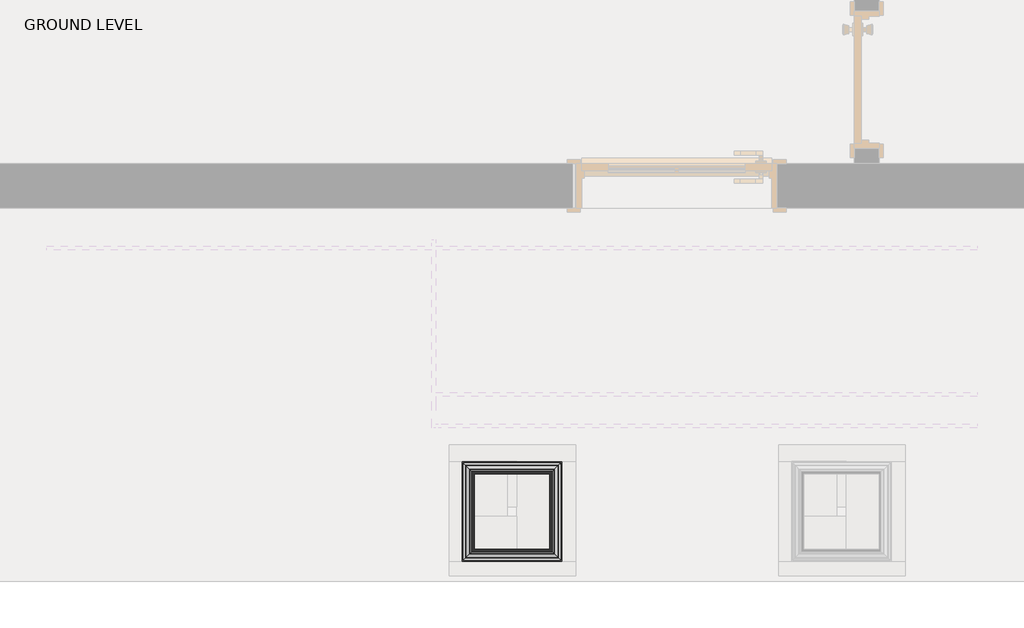
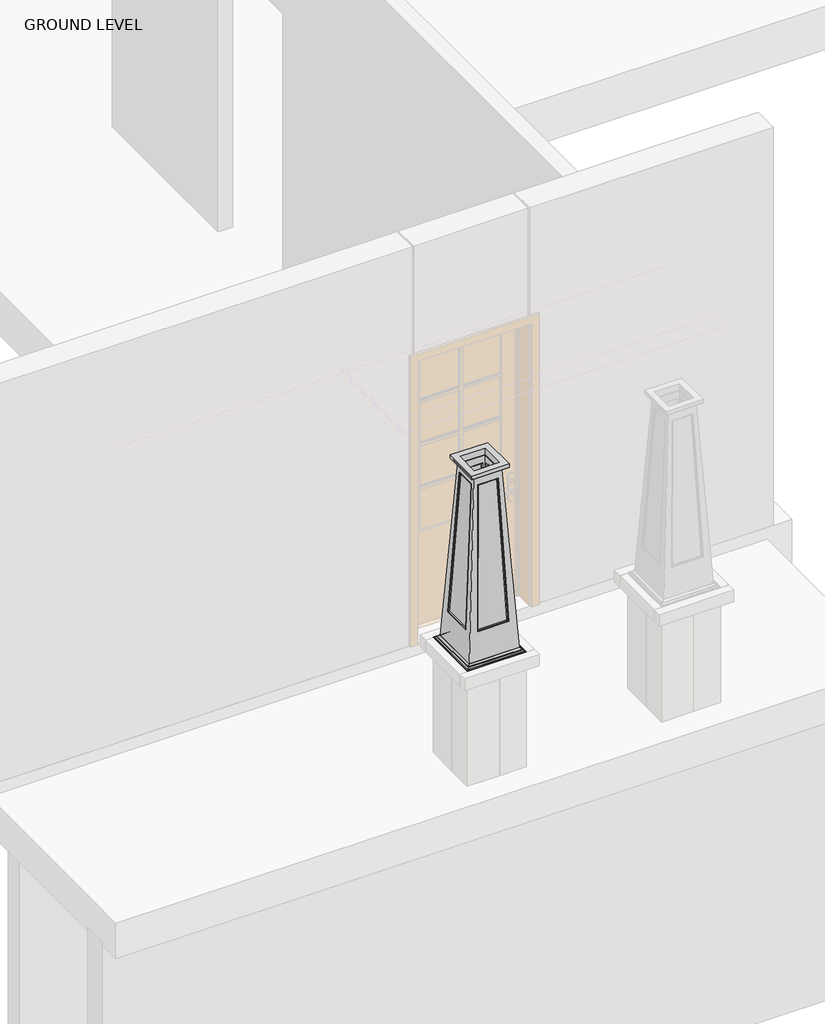
# One storey, part 5 of 7: 1 column.
"""IFC4 building model written with IfcOpenShell, lengths in millimetres."""

from ifc_helpers import new_model, si_unit, frame, origin, place, context, project, spatial, polyline, ellipse_curve, faceted_brep, element, save
from ifc_brep_helpers import plane_surface, cylinder_surface, revolved_surface, advanced_brep

model = new_model("IFC4")

# Units and contexts
model_context = context("Model", 3, world=origin())
ifc_project = project(units=[si_unit("LENGTHUNIT", "METRE", prefix="MILLI")], contexts=[model_context])

# Site, building, storey
site = spatial("IfcSite", under=ifc_project)
building = spatial("IfcBuilding", under=site)
storey = spatial("IfcBuildingStorey", under=building, Name="GROUND LEVEL", Elevation=0.0)

# Column
placement = place(None, origin())
element("IfcColumn", 1, at=placement, inside=storey, context=model_context, shape_type="SolidModel", body=[
    advanced_brep(
    [(3174.4272599, -6584.8408634, 994.2259064), (2693.4147599, -6584.8408634, 994.2259064), (2693.4147599, -6584.8408634, 990.6), (2956.9397599, -6584.8408634, 990.6), (3174.4272599, -6584.8408634, 990.6), (2698.2523894, -6580.0032339, 999.3180729), (2698.2523894, -6580.0032339, 994.2259064), (3169.5896304, -6580.0032339, 994.2259064), (3169.5896304, -6580.0032339, 999.3180729), (3158.8958993, -6569.3095028, 1007.7203226), (2708.9461205, -6569.3095028, 1007.7203226), (2714.0383518, -6564.2172714, 1010.55953), (2714.0383518, -6564.2172714, 1007.7203226), (3153.803668, -6564.2172714, 1007.7203226), (3153.803668, -6564.2172714, 1010.55953), (3140.8184231, -6551.2320265, 1020.960137), (2727.0235968, -6551.2320265, 1020.960137), (3174.4272599, -6103.8283634, 994.2259064), (3174.4272599, -6103.8283634, 990.6), (3169.5896304, -6108.6659928, 994.2259064), (3169.5896304, -6108.6659928, 999.3180729), (3158.8958993, -6119.359724, 1007.7203226), (3153.803668, -6124.4519553, 1007.7203226), (3153.803668, -6124.4519553, 1010.55953), (3140.8184231, -6137.4372002, 1020.960137), (2693.4147599, -6103.8283634, 994.2259064), (2956.9397599, -6103.8283634, 990.6), (2910.9022599, -6103.8283634, 990.6), (2693.4147599, -6103.8283634, 990.6), (2698.2523894, -6108.6659928, 994.2259064), (2698.2523894, -6108.6659928, 999.3180729), (2708.9461205, -6119.359724, 1007.7203226), (2714.0383518, -6124.4519553, 1007.7203226), (2714.0383518, -6124.4519553, 1010.55953), (2727.0235968, -6137.4372002, 1020.960137), (2693.4147599, -6367.3533634, 990.6), (2743.4210099, -6534.8346134, 1020.960137), (3124.4210099, -6534.8346134, 1020.960137), (3124.4210099, -6534.8346134, 990.6), (2956.9397599, -6534.8346134, 990.6), (2743.4210099, -6534.8346134, 990.6), (3124.4210099, -6153.8346134, 1020.960137), (3124.4210099, -6153.8346134, 990.6), (2743.4210099, -6153.8346134, 1020.960137), (2743.4210099, -6153.8346134, 990.6), (2910.9022599, -6153.8346134, 990.6), (2956.9397599, -6153.8346134, 990.6), (2743.4210099, -6367.3533634, 990.6)],
    [
        (0, 1),
        (1, 2),
        (2, 3),
        (3, 4),
        (4, 0),
        (5, 6),
        (6, 7),
        (7, 8),
        (8, 5),
        (8, 9, ellipse_curve(frame((3170.438947, -6580.8525504, 1011.4052173), z_axis=(0.7071067811865475, 0.7071067811865475, 0.0), x_axis=(0.7071067811865476, -0.7071067811865474, 0.0)), 17.1359504, 12.1169467)),
        (9, 10),
        (10, 5, ellipse_curve(frame((2697.4030729, -6580.8525504, 1011.4052173), z_axis=(-0.7071067811865475, 0.7071067811865475, 0.0), x_axis=(0.7071067811865476, 0.7071067811865474, 0.0)), 17.1359504, 12.1169467)),
        (11, 12),
        (12, 13),
        (13, 14),
        (14, 11),
        (14, 15, ellipse_curve(frame((3135.6466395, -6546.060243, 1001.196725), z_axis=(-0.7071067811865475, -0.7071067811865475, 0.0), x_axis=(-0.7071067811865476, 0.7071067811865474, 0.0)), 28.8908221, 20.4288962)),
        (15, 16),
        (16, 11, ellipse_curve(frame((2732.1953803, -6546.060243, 1001.196725), z_axis=(0.7071067811865475, -0.7071067811865475, 0.0), x_axis=(-0.7071067811865476, -0.7071067811865474, 0.0)), 28.8908221, 20.4288962)),
        (17, 0),
        (4, 18),
        (18, 17),
        (7, 19),
        (19, 20),
        (20, 8),
        (20, 21, ellipse_curve(frame((3170.438947, -6107.8166763, 1011.4052173), z_axis=(-0.7071067811865475, 0.7071067811865475, 0.0), x_axis=(0.7071067811865474, 0.7071067811865476, 0.0)), 17.1359504, 12.1169467)),
        (21, 9),
        (13, 22),
        (22, 23),
        (23, 14),
        (23, 24, ellipse_curve(frame((3135.6466395, -6142.6089838, 1001.196725), z_axis=(0.7071067811865475, -0.7071067811865475, 0.0), x_axis=(-0.7071067811865474, -0.7071067811865476, 0.0)), 28.8908221, 20.4288962)),
        (24, 15),
        (25, 17),
        (18, 26),
        (26, 27),
        (27, 28),
        (28, 25),
        (19, 29),
        (29, 30),
        (30, 20),
        (30, 31, ellipse_curve(frame((2697.4030729, -6107.8166763, 1011.4052173), z_axis=(-0.7071067811865475, -0.7071067811865475, 0.0), x_axis=(-0.7071067811865476, 0.7071067811865474, 0.0)), 17.1359504, 12.1169467)),
        (31, 21),
        (22, 32),
        (32, 33),
        (33, 23),
        (33, 34, ellipse_curve(frame((2732.1953803, -6142.6089838, 1001.196725), z_axis=(0.7071067811865475, 0.7071067811865475, 0.0), x_axis=(0.7071067811865476, -0.7071067811865474, 0.0)), 28.8908221, 20.4288962)),
        (34, 24),
        (1, 25),
        (28, 35),
        (35, 2),
        (6, 29),
        (5, 30),
        (10, 31),
        (12, 32),
        (11, 33),
        (16, 34),
        (36, 37),
        (37, 38),
        (38, 39),
        (39, 40),
        (40, 36),
        (37, 41),
        (41, 42),
        (42, 38),
        (41, 43),
        (43, 44),
        (44, 45),
        (45, 46),
        (46, 42),
        (36, 43),
        (40, 47),
        (47, 44),
        (3, 39),
        (46, 26),
        (35, 47),
        (27, 45),
    ],
    [
        plane_surface(frame((2693.4147599, -6584.8408634, 965.2), z_axis=(0.0, -1.0, 0.0), x_axis=(1.0, 0.0, 0.0))),
        plane_surface(frame((2698.2523894, -6580.0032339, 994.2259064), z_axis=(0.0, -1.0, 0.0), x_axis=(1.0, 0.0, 0.0))),
        revolved_surface(polyline([(3182.5558937299165, -6568.7356037, 1011.4052173), (2685.2861261700837, -6568.7356037, 1011.4052173)]), (2727.0235968, -6580.8525504, 1011.4052173), (1.0, 0.0, 0.0)),
        plane_surface(frame((2714.0383518, -6564.2172714, 1007.7203226), z_axis=(0.0, -1.0, 0.0), x_axis=(1.0, 0.0, 0.0))),
        cylinder_surface(frame((2727.0235968, -6546.060243, 1001.196725), z_axis=(-1.0, 0.0, 0.0), x_axis=(0.0, 1.0, 0.0)), 20.4288962),
        plane_surface(frame((3174.4272599, -6584.8408634, 965.2), z_axis=(1.0, 0.0, 0.0), x_axis=(0.0, 1.0, 0.0))),
        plane_surface(frame((3169.5896304, -6580.0032339, 994.2259064), z_axis=(1.0, 0.0, 0.0), x_axis=(0.0, 1.0, 0.0))),
        revolved_surface(polyline([(3158.3220003, -6095.699729570084, 1011.4052173), (3158.3220003, -6592.969497129916, 1011.4052173)]), (3170.438947, -6551.2320265, 1011.4052173), (0.0, 1.0, 0.0)),
        plane_surface(frame((3153.803668, -6564.2172714, 1007.7203226), z_axis=(1.0, 0.0, 0.0), x_axis=(0.0, 1.0, 0.0))),
        cylinder_surface(frame((3135.6466395, -6551.2320265, 1001.196725), z_axis=(0.0, -1.0, 0.0), x_axis=(-1.0, 0.0, 0.0)), 20.4288962),
        plane_surface(frame((3174.4272599, -6103.8283634, 965.2), z_axis=(0.0, 1.0, 0.0), x_axis=(-1.0, 0.0, 0.0))),
        plane_surface(frame((3169.5896304, -6108.6659928, 994.2259064), z_axis=(0.0, 1.0, 0.0), x_axis=(-1.0, 0.0, 0.0))),
        revolved_surface(polyline([(2685.2861261700837, -6119.933623, 1011.4052173), (3182.5558937299165, -6119.933623, 1011.4052173)]), (3140.8184231, -6107.8166763, 1011.4052173), (-1.0, 0.0, 0.0)),
        plane_surface(frame((3153.803668, -6124.4519553, 1007.7203226), z_axis=(0.0, 1.0, 0.0), x_axis=(-1.0, 0.0, 0.0))),
        cylinder_surface(frame((3140.8184231, -6142.6089838, 1001.196725), z_axis=(1.0, 0.0, 0.0), x_axis=(0.0, -1.0, 0.0)), 20.4288962),
        plane_surface(frame((2693.4147599, -6103.8283634, 965.2), z_axis=(-1.0, 0.0, 0.0), x_axis=(0.0, -1.0, 0.0))),
        plane_surface(frame((2693.4147599, -6103.8283634, 994.2259064), z_axis=(0.0, 0.0, 1.0), x_axis=(0.0, -1.0, 0.0))),
        plane_surface(frame((2698.2523894, -6108.6659928, 994.2259064), z_axis=(-1.0, 0.0, 0.0), x_axis=(0.0, -1.0, 0.0))),
        revolved_surface(polyline([(2709.5200196, -6592.969497129916, 1011.4052173), (2709.5200196, -6095.699729570084, 1011.4052173)]), (2697.4030729, -6137.4372002, 1011.4052173), (0.0, -1.0, 0.0)),
        plane_surface(frame((2708.9461205, -6119.359724, 1007.7203226), z_axis=(0.0, 0.0, 1.0), x_axis=(0.0, -1.0, 0.0))),
        plane_surface(frame((2714.0383518, -6124.4519553, 1007.7203226), z_axis=(-1.0, 0.0, 0.0), x_axis=(0.0, -1.0, 0.0))),
        cylinder_surface(frame((2732.1953803, -6137.4372002, 1001.196725), z_axis=(0.0, 1.0, 0.0), x_axis=(1.0, 0.0, 0.0)), 20.4288962),
        plane_surface(frame((2743.4210099, -6534.8346134, 1020.960137), z_axis=(0.0, 1.0, 0.0), x_axis=(1.0, 0.0, 0.0))),
        plane_surface(frame((3124.4210099, -6534.8346134, 1020.960137), z_axis=(-1.0, 0.0, 0.0), x_axis=(0.0, 1.0, 0.0))),
        plane_surface(frame((3124.4210099, -6153.8346134, 1020.960137), z_axis=(0.0, -1.0, 0.0), x_axis=(-1.0, 0.0, 0.0))),
        plane_surface(frame((2727.0235968, -6137.4372002, 1020.960137), z_axis=(0.0, 0.0, 1.0), x_axis=(0.0, -1.0, 0.0))),
        plane_surface(frame((2743.4210099, -6153.8346134, 1020.960137), z_axis=(1.0, 0.0, 0.0), x_axis=(0.0, -1.0, 0.0))),
        plane_surface(frame((2956.9397599, -6476.0971134, 990.6), z_axis=(0.0, 0.0, -1.0), x_axis=(1.0, 0.0, 0.0))),
        plane_surface(frame((2802.1585099, -6367.3533634, 990.6), z_axis=(0.0, 0.0, -1.0), x_axis=(0.0, -1.0, 0.0))),
        plane_surface(frame((2910.9022599, -6211.3440959, 990.6), z_axis=(0.0, 0.0, -1.0), x_axis=(-1.0, 0.0, 0.0))),
        plane_surface(frame((3065.3246216, -6320.9569731, 990.6), z_axis=(0.0, 0.0, -1.0), x_axis=(0.0033003120592097804, 0.9999945539553262, 0.0))),
    ],
    [
        (0, [[1, 2, 3, 4, 5]]),
        (1, [[6, 7, 8, 9]]),
        (2, [[-9, 10, 11, 12]]),
        (3, [[13, 14, 15, 16]]),
        (4, [[-16, 17, 18, 19]]),
        (5, [[20, -5, 21, 22]]),
        (6, [[-8, 23, 24, 25]]),
        (7, [[-10, -25, 26, 27]]),
        (8, [[-15, 28, 29, 30]]),
        (9, [[-17, -30, 31, 32]]),
        (10, [[33, -22, 34, 35, 36, 37]]),
        (11, [[-24, 38, 39, 40]]),
        (12, [[-26, -40, 41, 42]]),
        (13, [[-29, 43, 44, 45]]),
        (14, [[-31, -45, 46, 47]]),
        (15, [[48, -37, 49, 50, -2]]),
        (16, [[-1, -20, -33, -48], [-7, 51, -38, -23]]),
        (17, [[-6, 52, -39, -51]]),
        (18, [[-12, 53, -41, -52]]),
        (19, [[-11, -27, -42, -53], [-14, 54, -43, -28]]),
        (20, [[-13, 55, -44, -54]]),
        (21, [[-19, 56, -46, -55]]),
        (22, [[57, 58, 59, 60, 61]]),
        (23, [[62, 63, 64, -58]]),
        (24, [[65, 66, 67, 68, 69, -63]]),
        (25, [[-18, -32, -47, -56], [-57, 70, -65, -62]]),
        (26, [[-70, -61, 71, 72, -66]]),
        (27, [[-4, 73, -59, -64, -69, 74, -34, -21]]),
        (28, [[-3, -50, 75, -71, -60, -73]]),
        (29, [[-36, 76, -67, -72, -75, -49]]),
        (30, [[-35, -74, -68, -76]]),
    ],
),
    advanced_brep(
    [(2802.9383518, -6475.3172714, 2545.44047), (2815.9235968, -6462.3320265, 2535.039863), (3051.9184231, -6462.3320265, 2535.039863), (3064.903668, -6475.3172714, 2545.44047), (2802.9383518, -6475.3172714, 2548.2796774), (3064.903668, -6475.3172714, 2548.2796774), (2787.1523894, -6491.1032339, 2556.6819271), (2797.8461205, -6480.4095028, 2548.2796774), (3069.9958993, -6480.4095028, 2548.2796774), (3080.6896304, -6491.1032339, 2556.6819271), (2787.1523894, -6491.1032339, 2561.7740936), (3080.6896304, -6491.1032339, 2561.7740936), (2782.3147599, -6495.9408634, 2590.8), (2782.3147599, -6495.9408634, 2561.7740936), (3085.5272599, -6495.9408634, 2561.7740936), (3085.5272599, -6495.9408634, 2590.8), (3051.9184231, -6226.3372002, 2535.039863), (3064.903668, -6213.3519553, 2545.44047), (3064.903668, -6213.3519553, 2548.2796774), (3069.9958993, -6208.259724, 2548.2796774), (3080.6896304, -6197.5659928, 2556.6819271), (3080.6896304, -6197.5659928, 2561.7740936), (3085.5272599, -6192.7283634, 2561.7740936), (3085.5272599, -6192.7283634, 2590.8), (2815.9235968, -6226.3372002, 2535.039863), (2802.9383518, -6213.3519553, 2545.44047), (2802.9383518, -6213.3519553, 2548.2796774), (2797.8461205, -6208.259724, 2548.2796774), (2787.1523894, -6197.5659928, 2556.6819271), (2787.1523894, -6197.5659928, 2561.7740936), (2782.3147599, -6192.7283634, 2561.7740936), (2782.3147599, -6192.7283634, 2590.8), (2832.0663724, -6446.1892509, 2590.8), (2832.0663724, -6242.4799758, 2590.8), (3035.7756475, -6242.4799758, 2590.8), (3035.7756475, -6446.1892509, 2590.8), (2832.0663724, -6446.1892509, 2535.039863), (3035.7756475, -6446.1892509, 2535.039863), (3035.7756475, -6242.4799758, 2535.039863), (2832.0663724, -6242.4799758, 2535.039863)],
    [
        (0, 1, ellipse_curve(frame((2824.2703803, -6453.985243, 2558.767289), z_axis=(0.7071067811865475, -0.7071067811865475, 0.0), x_axis=(-0.7071067811865476, -0.7071067811865474, 0.0)), 35.5713239, 25.1527244)),
        (1, 2),
        (2, 3, ellipse_curve(frame((3043.5716395, -6453.985243, 2558.767289), z_axis=(-0.7071067811865475, -0.7071067811865475, 0.0), x_axis=(-0.7071067811865476, 0.7071067811865474, 0.0)), 35.5713239, 25.1527244)),
        (3, 0),
        (4, 0),
        (3, 5),
        (5, 4),
        (6, 7, ellipse_curve(frame((2786.3030729, -6491.9525504, 2544.5947827), z_axis=(-0.7071067811865475, 0.7071067811865475, 0.0), x_axis=(0.7071067811865476, 0.7071067811865474, 0.0)), 17.1359504, 12.1169467)),
        (7, 8),
        (8, 9, ellipse_curve(frame((3081.538947, -6491.9525504, 2544.5947827), z_axis=(0.7071067811865475, 0.7071067811865475, 0.0), x_axis=(0.7071067811865476, -0.7071067811865474, 0.0)), 17.1359504, 12.1169467)),
        (9, 6),
        (10, 6),
        (9, 11),
        (11, 10),
        (12, 13),
        (13, 14),
        (14, 15),
        (15, 12),
        (2, 16),
        (16, 17, ellipse_curve(frame((3043.5716395, -6234.6839838, 2558.767289), z_axis=(0.7071067811865475, -0.7071067811865475, 0.0), x_axis=(-0.7071067811865474, -0.7071067811865476, 0.0)), 35.5713239, 25.1527244)),
        (17, 3),
        (17, 18),
        (18, 5),
        (8, 19),
        (19, 20, ellipse_curve(frame((3081.538947, -6196.7166763, 2544.5947827), z_axis=(-0.7071067811865475, 0.7071067811865475, 0.0), x_axis=(0.7071067811865474, 0.7071067811865476, 0.0)), 17.1359504, 12.1169467)),
        (20, 9),
        (20, 21),
        (21, 11),
        (14, 22),
        (22, 23),
        (23, 15),
        (16, 24),
        (24, 25, ellipse_curve(frame((2824.2703803, -6234.6839838, 2558.767289), z_axis=(0.7071067811865475, 0.7071067811865475, 0.0), x_axis=(0.7071067811865476, -0.7071067811865474, 0.0)), 35.5713239, 25.1527244)),
        (25, 17),
        (25, 26),
        (26, 18),
        (19, 27),
        (27, 28, ellipse_curve(frame((2786.3030729, -6196.7166763, 2544.5947827), z_axis=(-0.7071067811865475, -0.7071067811865475, 0.0), x_axis=(-0.7071067811865476, 0.7071067811865474, 0.0)), 17.1359504, 12.1169467)),
        (28, 20),
        (28, 29),
        (29, 21),
        (22, 30),
        (30, 31),
        (31, 23),
        (24, 1),
        (0, 25),
        (4, 26),
        (7, 27),
        (6, 28),
        (10, 29),
        (13, 30),
        (12, 31),
        (32, 33),
        (33, 34),
        (34, 35),
        (35, 32),
        (36, 32),
        (35, 37),
        (37, 36),
        (34, 38),
        (38, 37),
        (33, 39),
        (39, 38),
        (36, 39),
    ],
    [
        cylinder_surface(frame((2815.9235968, -6453.985243, 2558.767289), z_axis=(-1.0, 0.0, 0.0), x_axis=(0.0, 1.0, 0.0)), 25.1527244),
        plane_surface(frame((2802.9383518, -6475.3172714, 2545.44047), z_axis=(0.0, -1.0, 0.0), x_axis=(1.0, 0.0, 0.0))),
        revolved_surface(polyline([(3093.6558937299164, -6479.8356037, 2544.5947827), (2774.1861261700838, -6479.8356037, 2544.5947827)]), (2815.9235968, -6491.9525504, 2544.5947827), (1.0, 0.0, 0.0)),
        plane_surface(frame((2787.1523894, -6491.1032339, 2556.6819271), z_axis=(0.0, -1.0, 0.0), x_axis=(1.0, 0.0, 0.0))),
        plane_surface(frame((2782.3147599, -6495.9408634, 2561.7740936), z_axis=(0.0, -1.0, 0.0), x_axis=(1.0, 0.0, 0.0))),
        cylinder_surface(frame((3043.5716395, -6462.3320265, 2558.767289), z_axis=(0.0, -1.0, 0.0), x_axis=(-1.0, 0.0, 0.0)), 25.1527244),
        plane_surface(frame((3064.903668, -6475.3172714, 2545.44047), z_axis=(1.0, 0.0, 0.0), x_axis=(0.0, 1.0, 0.0))),
        revolved_surface(polyline([(3069.4220003, -6184.599729570084, 2544.5947827), (3069.4220003, -6504.069497129916, 2544.5947827)]), (3081.538947, -6462.3320265, 2544.5947827), (0.0, 1.0, 0.0)),
        plane_surface(frame((3080.6896304, -6491.1032339, 2556.6819271), z_axis=(1.0, 0.0, 0.0), x_axis=(0.0, 1.0, 0.0))),
        plane_surface(frame((3085.5272599, -6495.9408634, 2561.7740936), z_axis=(1.0, 0.0, 0.0), x_axis=(0.0, 1.0, 0.0))),
        cylinder_surface(frame((3051.9184231, -6234.6839838, 2558.767289), z_axis=(1.0, 0.0, 0.0), x_axis=(0.0, -1.0, 0.0)), 25.1527244),
        plane_surface(frame((3064.903668, -6213.3519553, 2545.44047), z_axis=(0.0, 1.0, 0.0), x_axis=(-1.0, 0.0, 0.0))),
        revolved_surface(polyline([(2774.1861261700838, -6208.8336229999995, 2544.5947827), (3093.6558937299164, -6208.8336229999995, 2544.5947827)]), (3051.9184231, -6196.7166763, 2544.5947827), (-1.0, 0.0, 0.0)),
        plane_surface(frame((3080.6896304, -6197.5659928, 2556.6819271), z_axis=(0.0, 1.0, 0.0), x_axis=(-1.0, 0.0, 0.0))),
        plane_surface(frame((3085.5272599, -6192.7283634, 2561.7740936), z_axis=(0.0, 1.0, 0.0), x_axis=(-1.0, 0.0, 0.0))),
        cylinder_surface(frame((2824.2703803, -6226.3372002, 2558.767289), z_axis=(0.0, 1.0, 0.0), x_axis=(1.0, 0.0, 0.0)), 25.1527244),
        plane_surface(frame((2802.9383518, -6213.3519553, 2545.44047), z_axis=(-1.0, 0.0, 0.0), x_axis=(0.0, -1.0, 0.0))),
        plane_surface(frame((2802.9383518, -6213.3519553, 2548.2796774), z_axis=(0.0, 0.0, -1.0), x_axis=(0.0, -1.0, 0.0))),
        revolved_surface(polyline([(2798.4200196, -6504.069497129916, 2544.5947827), (2798.4200196, -6184.599729570084, 2544.5947827)]), (2786.3030729, -6226.3372002, 2544.5947827), (0.0, -1.0, 0.0)),
        plane_surface(frame((2787.1523894, -6197.5659928, 2556.6819271), z_axis=(-1.0, 0.0, 0.0), x_axis=(0.0, -1.0, 0.0))),
        plane_surface(frame((2787.1523894, -6197.5659928, 2561.7740936), z_axis=(0.0, 0.0, -1.0), x_axis=(0.0, -1.0, 0.0))),
        plane_surface(frame((2782.3147599, -6192.7283634, 2561.7740936), z_axis=(-1.0, 0.0, 0.0), x_axis=(0.0, -1.0, 0.0))),
        plane_surface(frame((2782.3147599, -6192.7283634, 2590.8), z_axis=(0.0, 0.0, 1.0), x_axis=(0.0, -1.0, 0.0))),
        plane_surface(frame((2832.0663724, -6446.1892509, 2590.8), z_axis=(0.0, 1.0, 0.0), x_axis=(1.0, 0.0, 0.0))),
        plane_surface(frame((3035.7756475, -6446.1892509, 2590.8), z_axis=(-1.0, 0.0, 0.0), x_axis=(0.0, 1.0, 0.0))),
        plane_surface(frame((3035.7756475, -6242.4799758, 2590.8), z_axis=(0.0, -1.0, 0.0), x_axis=(-1.0, 0.0, 0.0))),
        plane_surface(frame((2832.0663724, -6242.4799758, 2590.8), z_axis=(1.0, 0.0, 0.0), x_axis=(0.0, -1.0, 0.0))),
        plane_surface(frame((2832.0663724, -6242.4799758, 2535.039863), z_axis=(0.0, 0.0, -1.0), x_axis=(0.0, -1.0, 0.0))),
    ],
    [
        (0, [[1, 2, 3, 4]]),
        (1, [[5, -4, 6, 7]]),
        (2, [[8, 9, 10, 11]]),
        (3, [[12, -11, 13, 14]]),
        (4, [[15, 16, 17, 18]]),
        (5, [[-3, 19, 20, 21]]),
        (6, [[-6, -21, 22, 23]]),
        (7, [[-10, 24, 25, 26]]),
        (8, [[-13, -26, 27, 28]]),
        (9, [[-17, 29, 30, 31]]),
        (10, [[-20, 32, 33, 34]]),
        (11, [[-22, -34, 35, 36]]),
        (12, [[-25, 37, 38, 39]]),
        (13, [[-27, -39, 40, 41]]),
        (14, [[-30, 42, 43, 44]]),
        (15, [[-33, 45, -1, 46]]),
        (16, [[-35, -46, -5, 47]]),
        (17, [[48, -37, -24, -9], [-23, -36, -47, -7]]),
        (18, [[-38, -48, -8, 49]]),
        (19, [[-40, -49, -12, 50]]),
        (20, [[51, -42, -29, -16], [-28, -41, -50, -14]]),
        (21, [[-43, -51, -15, 52]]),
        (22, [[-31, -44, -52, -18], [53, 54, 55, 56]]),
        (23, [[57, -56, 58, 59]]),
        (24, [[-58, -55, 60, 61]]),
        (25, [[-60, -54, 62, 63]]),
        (26, [[-62, -53, -57, 64]]),
        (27, [[-45, -32, -19, -2], [-61, -63, -64, -59]]),
    ],
),
    faceted_brep([(3048.2210099, -6230.0346134, 2535.2375), (2819.6210099, -6230.0346134, 2535.2375), (2819.6210099, -6458.6346134, 2535.2375), (3048.2210099, -6458.6346134, 2535.2375), (2837.0835099, -6247.4971134, 2535.2375), (3030.7585099, -6247.4971134, 2535.2375), (3030.7585099, -6441.1721134, 2535.2375), (2837.0835099, -6441.1721134, 2535.2375), (3137.1210099, -6141.1346134, 1020.7625), (3137.1210099, -6547.5346134, 1020.7625), (2730.7210099, -6547.5346134, 1020.7625), (2730.7210099, -6141.1346134, 1020.7625), (3124.4210099, -6153.8346134, 1020.7625), (2743.4210099, -6153.8346134, 1020.7625), (2743.4210099, -6534.8346134, 1020.7625), (3124.4210099, -6534.8346134, 1020.7625), (3060.9210099, -6155.3921605, 1263.65), (3016.4710099, -6226.2139635, 2470.15), (2851.3710099, -6226.2139635, 2470.15), (2806.9210099, -6155.3921605, 1263.65), (2744.9785571, -6217.3346134, 1263.65), (2815.80036, -6261.7846134, 2470.15), (2815.80036, -6426.8846134, 2470.15), (2744.9785571, -6471.3346134, 1263.65), (3016.4710099, -6462.4552633, 2470.15), (3060.9210099, -6533.2770662, 1263.65), (2806.9210099, -6533.2770662, 1263.65), (2851.3710099, -6462.4552633, 2470.15), (3052.0416598, -6261.7846134, 2470.15), (3122.8634627, -6217.3346134, 1263.65), (3122.8634627, -6471.3346134, 1263.65), (3052.0416598, -6426.8846134, 2470.15), (3016.4710099, -6243.4717858, 2470.15), (3060.9210099, -6168.8559577, 1263.65), (2806.9210099, -6168.8559577, 1263.65), (2851.3710099, -6243.4717858, 2470.15), (2833.0581824, -6261.7846134, 2470.15), (2758.4423543, -6217.3346134, 1263.65), (2758.4423543, -6471.3346134, 1263.65), (2833.0581824, -6426.8846134, 2470.15), (3060.9210099, -6519.813269, 1263.65), (3016.4710099, -6445.1974409, 2470.15), (2851.3710099, -6445.1974409, 2470.15), (2806.9210099, -6519.813269, 1263.65), (3109.3996656, -6217.3346134, 1263.65), (3034.7838375, -6261.7846134, 2470.15), (3034.7838375, -6426.8846134, 2470.15), (3109.3996656, -6471.3346134, 1263.65)], [[[0, 1, 2, 3], [4, 5, 6, 7]], [[8, 9, 10, 11], [12, 13, 14, 15]], [[1, 0, 8, 11], [16, 17, 18, 19]], [[2, 1, 11, 10], [20, 21, 22, 23]], [[3, 2, 10, 9], [24, 25, 26, 27]], [[0, 3, 9, 8], [28, 29, 30, 31]], [[12, 5, 4, 13], [32, 33, 34, 35]], [[13, 4, 7, 14], [36, 37, 38, 39]], [[14, 7, 6, 15], [40, 41, 42, 43]], [[5, 12, 15, 6], [44, 45, 46, 47]], [[16, 33, 32, 17]], [[40, 25, 24, 41]], [[17, 32, 35, 18]], [[41, 24, 27, 42]], [[18, 35, 34, 19]], [[42, 27, 26, 43]], [[33, 16, 19, 34]], [[25, 40, 43, 26]], [[20, 37, 36, 21]], [[44, 29, 28, 45]], [[21, 36, 39, 22]], [[45, 28, 31, 46]], [[22, 39, 38, 23]], [[46, 31, 30, 47]], [[37, 20, 23, 38]], [[29, 44, 47, 30]]]),
    advanced_brep(
    [(3016.4710099, -6462.4552633, 2470.15), (3013.2601327, -6457.2536478, 2466.5077896), (3057.4651021, -6527.6850455, 1266.6586217), (3060.9210099, -6533.2770662, 1263.65), (3017.1316826, -6450.7585757, 2470.15), (3061.6321003, -6521.6607088, 1262.2815194), (3007.3771745, -6450.7585757, 2460.0127176), (3051.1331995, -6520.4746743, 1272.3491813), (2810.3769178, -6527.6850455, 1266.6586217), (2806.9210099, -6533.2770662, 1263.65), (2806.2099195, -6521.6607088, 1262.2815194), (2816.7088203, -6520.4746743, 1272.3491813), (2854.5818871, -6457.2536478, 2466.5077896), (2851.3710099, -6462.4552633, 2470.15), (2850.7103372, -6450.7585757, 2470.15), (2860.4648453, -6450.7585757, 2460.0127176)],
    [
        (0, 1, ellipse_curve(frame((3018.8442026, -6457.0735692, 2472.300412), z_axis=(0.7199840086345254, -0.04066739299447458, -0.6927980877987413), x_axis=(0.6939906536190235, 0.04219058639505976, 0.718746775372997)), 8.0493743, 5.7954208)),
        (1, 2),
        (2, 3, ellipse_curve(frame((3063.4753073, -6528.1839247, 1260.884713), z_axis=(0.6939906536190235, 0.04219058639505978, 0.718746775372997), x_axis=(-0.7199840086345254, 0.04066739299447456, 0.6927980877987413)), 8.3508629, 5.7954208)),
        (3, 0),
        (4, 0),
        (3, 5),
        (5, 4),
        (6, 4),
        (5, 7),
        (7, 6),
        (1, 6, ellipse_curve(frame((3013.6269987, -6450.7585757, 2466.5077896), z_axis=(0.7199840086345254, -0.04066739299447458, -0.6927980877987413), x_axis=(0.6939906536190235, 0.04219058639505976, 0.718746775372997)), 9.0211338, 6.495072)),
        (7, 2, ellipse_curve(frame((3057.8599646, -6521.2345801, 1265.8987159), z_axis=(0.6939906536190235, 0.04219058639505978, 0.718746775372997), x_axis=(-0.7199840086345254, 0.04066739299447456, 0.6927980877987413)), 9.3590195, 6.495072)),
        (2, 8),
        (8, 9, ellipse_curve(frame((2804.3667125, -6528.1839247, 1260.884713), z_axis=(0.693990653619024, -0.04219058639505973, -0.7187467753729965), x_axis=(0.719984008634525, 0.04066739299447458, 0.6927980877987417)), 8.3508629, 5.7954208)),
        (9, 3),
        (9, 10),
        (10, 5),
        (10, 11),
        (11, 7),
        (11, 8, ellipse_curve(frame((2809.9820553, -6521.2345801, 1265.8987159), z_axis=(0.693990653619024, -0.04219058639505973, -0.7187467753729965), x_axis=(0.719984008634525, 0.04066739299447458, 0.6927980877987417)), 9.3590195, 6.495072)),
        (8, 12),
        (12, 13, ellipse_curve(frame((2848.9978172, -6457.0735692, 2472.300412), z_axis=(-0.7199840086345248, -0.040667392994474576, -0.6927980877987419), x_axis=(0.693990653619024, -0.04219058639505975, -0.7187467753729965)), 8.0493743, 5.7954208)),
        (13, 9),
        (13, 14),
        (14, 10),
        (14, 15),
        (15, 11),
        (15, 12, ellipse_curve(frame((2854.2150211, -6450.7585757, 2466.5077896), z_axis=(-0.7199840086345248, -0.040667392994474576, -0.6927980877987419), x_axis=(0.693990653619024, -0.04219058639505975, -0.7187467753729965)), 9.0211338, 6.495072)),
        (12, 1),
        (0, 13),
        (4, 14),
        (6, 15),
    ],
    [
        cylinder_surface(frame((3018.9314268, -6457.2125428, 2469.9328981), z_axis=(-0.03675394537888055, 0.058559745257754856, 0.9976070888553438), x_axis=(-0.0585597452577686, -0.9966923262940653, 0.0563485842046633)), 5.7954208),
        plane_surface(frame((3016.4710099, -6462.4552633, 2470.15), z_axis=(0.9976070888553422, -0.056348584204686976, 0.04006161908481538), x_axis=(0.036753945378879986, -0.05855974525775485, -0.9976070888553435))),
        plane_surface(frame((3017.1316826, -6450.7585757, 2470.15), z_axis=(0.05855974525776811, 0.9966923262940651, -0.05634858420466335), x_axis=(0.036753945378880035, -0.05855974525775485, -0.9976070888553434))),
        cylinder_surface(frame((3013.5224701, -6450.5920312, 2469.3449954), z_axis=(-0.03675394537888055, 0.058559745257754856, 0.9976070888553438), x_axis=(-0.0585597452577686, -0.9966923262940653, 0.0563485842046633)), 6.495072),
        cylinder_surface(frame((3060.9210099, -6528.1839247, 1260.884713), z_axis=(1.0000000000000002, 0.0, 0.0), x_axis=(0.0, -0.9931322351333464, 0.11699728004976763)), 5.7954208),
        plane_surface(frame((3060.9210099, -6533.2770662, 1263.65), z_axis=(0.0, -0.11699728004977694, -0.9931322351333453), x_axis=(-1.0, 0.0, 0.0))),
        plane_surface(frame((3061.6321003, -6521.6607088, 1262.2815194), z_axis=(0.0, 0.9931322351333464, -0.1169972800497671), x_axis=(-1.0, 0.0, 0.0))),
        cylinder_surface(frame((3060.9210099, -6521.2345801, 1265.8987159), z_axis=(1.0000000000000002, 0.0, 0.0), x_axis=(0.0, -0.9931322351333464, 0.11699728004976763)), 6.495072),
        cylinder_surface(frame((2804.460593, -6528.0343457, 1263.4328981), z_axis=(-0.03675394537887974, -0.05855974525775483, -0.9976070888553435), x_axis=(0.058559745257768615, -0.9966923262940652, 0.05634858420466332)), 5.7954208),
        plane_surface(frame((2806.9210099, -6533.2770662, 1263.65), z_axis=(-0.9976070888553423, -0.05634858420468698, 0.04006161908481544), x_axis=(0.03675394537888004, 0.05855974525775484, 0.9976070888553435))),
        plane_surface(frame((2806.2099195, -6521.6607088, 1262.2815194), z_axis=(-0.058559745257768074, 0.9966923262940651, -0.056348584204663335), x_axis=(0.036753945378879965, 0.05855974525775483, 0.9976070888553434))),
        cylinder_surface(frame((2809.8695498, -6521.4138341, 1262.8449954), z_axis=(-0.03675394537887974, -0.05855974525775483, -0.9976070888553435), x_axis=(0.058559745257768615, -0.9966923262940652, 0.05634858420466332)), 6.495072),
        cylinder_surface(frame((2851.3710099, -6457.0735692, 2472.300412), z_axis=(-1.0, 0.0, 0.0), x_axis=(0.0, -1.0, 0.0)), 5.7954208),
        plane_surface(frame((2851.3710099, -6462.4552633, 2470.15), z_axis=(0.0, 0.0, 1.0), x_axis=(1.0, 0.0, 0.0))),
        plane_surface(frame((2850.7103372, -6450.7585757, 2470.15), z_axis=(0.0, 1.0, 0.0), x_axis=(1.0, 0.0, 0.0))),
        cylinder_surface(frame((2851.3710099, -6450.7585757, 2466.5077896), z_axis=(-1.0, 0.0, 0.0), x_axis=(0.0, -1.0, 0.0)), 6.495072),
    ],
    [
        (0, [[1, 2, 3, 4]]),
        (1, [[5, -4, 6, 7]]),
        (2, [[8, -7, 9, 10]]),
        (3, [[11, -10, 12, -2]]),
        (4, [[-3, 13, 14, 15]]),
        (5, [[-6, -15, 16, 17]]),
        (6, [[-9, -17, 18, 19]]),
        (7, [[-12, -19, 20, -13]]),
        (8, [[-14, 21, 22, 23]]),
        (9, [[-16, -23, 24, 25]]),
        (10, [[-18, -25, 26, 27]]),
        (11, [[-20, -27, 28, -21]]),
        (12, [[-22, 29, -1, 30]]),
        (13, [[-24, -30, -5, 31]]),
        (14, [[-26, -31, -8, 32]]),
        (15, [[-28, -32, -11, -29]]),
    ],
),
    advanced_brep(
    [(3052.0416598, -6261.7846134, 2470.15), (3046.8400443, -6264.9954906, 2466.5077896), (3117.271442, -6220.7905212, 1266.6586217), (3122.8634627, -6217.3346134, 1263.65), (3040.3449723, -6261.1239406, 2470.15), (3111.2471053, -6216.6235229, 1262.2815194), (3040.3449723, -6270.8784488, 2460.0127176), (3110.0610709, -6227.1224238, 1272.3491813), (3117.271442, -6467.8787055, 1266.6586217), (3122.8634627, -6471.3346134, 1263.65), (3111.2471053, -6472.0457038, 1262.2815194), (3110.0610709, -6461.546803, 1272.3491813), (3046.8400443, -6423.6737362, 2466.5077896), (3052.0416598, -6426.8846134, 2470.15), (3040.3449723, -6427.5452861, 2470.15), (3040.3449723, -6417.7907779, 2460.0127176)],
    [
        (0, 1, ellipse_curve(frame((3046.6599658, -6259.4114207, 2472.300412), z_axis=(0.040667392994474603, 0.7199840086345253, -0.6927980877987415), x_axis=(-0.04219058639505975, 0.6939906536190237, 0.7187467753729968)), 8.0493743, 5.7954208)),
        (1, 2),
        (2, 3, ellipse_curve(frame((3117.7703213, -6214.780316, 1260.884713), z_axis=(-0.0421905863950598, 0.6939906536190236, 0.718746775372997), x_axis=(-0.04066739299447456, -0.7199840086345255, 0.6927980877987413)), 8.3508629, 5.7954208)),
        (3, 0),
        (4, 0),
        (3, 5),
        (5, 4),
        (6, 4),
        (5, 7),
        (7, 6),
        (1, 6, ellipse_curve(frame((3040.3449723, -6264.6286246, 2466.5077896), z_axis=(0.040667392994474603, 0.7199840086345253, -0.6927980877987415), x_axis=(-0.04219058639505975, 0.6939906536190237, 0.7187467753729968)), 9.0211338, 6.495072)),
        (7, 2, ellipse_curve(frame((3110.8209766, -6220.3956587, 1265.8987159), z_axis=(-0.0421905863950598, 0.6939906536190236, 0.718746775372997), x_axis=(-0.04066739299447456, -0.7199840086345255, 0.6927980877987413)), 9.3590195, 6.495072)),
        (2, 8),
        (8, 9, ellipse_curve(frame((3117.7703213, -6473.8889107, 1260.884713), z_axis=(0.04219058639505971, 0.6939906536190241, -0.7187467753729966), x_axis=(-0.0406673929944746, 0.7199840086345248, 0.6927980877987421)), 8.3508629, 5.7954208)),
        (9, 3),
        (9, 10),
        (10, 5),
        (10, 11),
        (11, 7),
        (11, 8, ellipse_curve(frame((3110.8209766, -6468.273568, 1265.8987159), z_axis=(0.04219058639505971, 0.6939906536190241, -0.7187467753729966), x_axis=(-0.0406673929944746, 0.7199840086345248, 0.6927980877987421)), 9.3590195, 6.495072)),
        (8, 12),
        (12, 13, ellipse_curve(frame((3046.6599658, -6429.257806, 2472.300412), z_axis=(0.04066739299447455, -0.719984008634525, -0.6927980877987416), x_axis=(0.042190586395059765, 0.6939906536190237, -0.7187467753729969)), 8.0493743, 5.7954208)),
        (13, 9),
        (13, 14),
        (14, 10),
        (14, 15),
        (15, 11),
        (15, 12, ellipse_curve(frame((3040.3449723, -6424.0406022, 2466.5077896), z_axis=(0.04066739299447455, -0.719984008634525, -0.6927980877987416), x_axis=(0.042190586395059765, 0.6939906536190237, -0.7187467753729969)), 9.0211338, 6.495072)),
        (12, 1),
        (0, 13),
        (4, 14),
        (6, 15),
    ],
    [
        cylinder_surface(frame((3046.7989394, -6259.3241965, 2469.9328981), z_axis=(-0.058559745257754856, -0.0367539453788804, 0.9976070888553435), x_axis=(0.9966923262940655, -0.05855974525776502, 0.05634858420466346)), 5.7954208),
        plane_surface(frame((3052.0416598, -6261.7846134, 2470.15), z_axis=(0.05634858420466386, 0.9976070888553434, 0.040061619084814086), x_axis=(0.058559745257754856, 0.03675394537888001, -0.9976070888553435))),
        plane_surface(frame((3040.3449723, -6261.1239406, 2470.15), z_axis=(-0.9966923262940653, 0.05855974525776483, -0.05634858420466349), x_axis=(0.05855974525775485, 0.036753945378879924, -0.9976070888553434))),
        cylinder_surface(frame((3040.1784277, -6264.7331532, 2469.3449954), z_axis=(-0.058559745257754856, -0.0367539453788804, 0.9976070888553435), x_axis=(0.9966923262940655, -0.05855974525776502, 0.05634858420466346)), 6.495072),
        cylinder_surface(frame((3117.7703213, -6217.3346134, 1260.884713), z_axis=(0.0, 1.0, 0.0), x_axis=(0.9931322351333467, 0.0, 0.11699728004976405)), 5.7954208),
        plane_surface(frame((3122.8634627, -6217.3346134, 1263.65), z_axis=(0.11699728004975393, 0.0, -0.993132235133348), x_axis=(0.0, -1.0, 0.0))),
        plane_surface(frame((3111.2471053, -6216.6235229, 1262.2815194), z_axis=(-0.9931322351333468, 0.0, -0.11699728004976391), x_axis=(0.0, -1.0, 0.0))),
        cylinder_surface(frame((3110.8209766, -6217.3346134, 1265.8987159), z_axis=(0.0, 1.0, 0.0), x_axis=(0.9931322351333467, 0.0, 0.11699728004976405)), 6.495072),
        cylinder_surface(frame((3117.6207423, -6473.7950302, 1263.4328981), z_axis=(0.05855974525775481, -0.03675394537887987, -0.9976070888553434), x_axis=(0.9966923262940653, 0.058559745257765, 0.056348584204663446)), 5.7954208),
        plane_surface(frame((3122.8634627, -6471.3346134, 1263.65), z_axis=(0.05634858420466386, -0.9976070888553434, 0.040061619084814086), x_axis=(-0.05855974525775484, 0.03675394537888001, 0.9976070888553435))),
        plane_surface(frame((3111.2471053, -6472.0457038, 1262.2815194), z_axis=(-0.9966923262940653, -0.05855974525776486, -0.05634858420466346), x_axis=(-0.05855974525775482, 0.03675394537887995, 0.9976070888553434))),
        cylinder_surface(frame((3111.0002307, -6468.3860735, 1262.8449954), z_axis=(0.05855974525775481, -0.03675394537887987, -0.9976070888553434), x_axis=(0.9966923262940653, 0.058559745257765, 0.056348584204663446)), 6.495072),
        cylinder_surface(frame((3046.6599658, -6426.8846134, 2472.300412), z_axis=(0.0, -1.0, 0.0), x_axis=(1.0, 0.0, 0.0)), 5.7954208),
        plane_surface(frame((3052.0416598, -6426.8846134, 2470.15), z_axis=(0.0, 0.0, 1.0), x_axis=(0.0, 1.0, 0.0))),
        plane_surface(frame((3040.3449723, -6427.5452861, 2470.15), z_axis=(-1.0, 0.0, 0.0), x_axis=(0.0, 1.0, 0.0))),
        cylinder_surface(frame((3040.3449723, -6426.8846134, 2466.5077896), z_axis=(0.0, -1.0, 0.0), x_axis=(1.0, 0.0, 0.0)), 6.495072),
    ],
    [
        (0, [[1, 2, 3, 4]]),
        (1, [[5, -4, 6, 7]]),
        (2, [[8, -7, 9, 10]]),
        (3, [[11, -10, 12, -2]]),
        (4, [[-3, 13, 14, 15]]),
        (5, [[-6, -15, 16, 17]]),
        (6, [[-9, -17, 18, 19]]),
        (7, [[-12, -19, 20, -13]]),
        (8, [[-14, 21, 22, 23]]),
        (9, [[-16, -23, 24, 25]]),
        (10, [[-18, -25, 26, 27]]),
        (11, [[-20, -27, 28, -21]]),
        (12, [[-22, 29, -1, 30]]),
        (13, [[-24, -30, -5, 31]]),
        (14, [[-26, -31, -8, 32]]),
        (15, [[-28, -32, -11, -29]]),
    ],
),
    advanced_brep(
    [(2851.3710099, -6226.2139635, 2470.15), (2854.5818871, -6231.4155789, 2466.5077896), (2810.3769178, -6160.9841812, 1266.6586217), (2806.9210099, -6155.3921605, 1263.65), (2850.7103372, -6237.910651, 2470.15), (2806.2099195, -6167.008518, 1262.2815194), (2860.4648453, -6237.910651, 2460.0127176), (2816.7088203, -6168.1945524, 1272.3491813), (3057.4651021, -6160.9841812, 1266.6586217), (3060.9210099, -6155.3921605, 1263.65), (3061.6321003, -6167.008518, 1262.2815194), (3051.1331995, -6168.1945524, 1272.3491813), (3013.2601327, -6231.4155789, 2466.5077896), (3016.4710099, -6226.2139635, 2470.15), (3017.1316826, -6237.910651, 2470.15), (3007.3771745, -6237.910651, 2460.0127176)],
    [
        (0, 1, ellipse_curve(frame((2848.9978172, -6231.5956575, 2472.300412), z_axis=(-0.7199840086345254, 0.04066739299447456, -0.6927980877987415), x_axis=(-0.6939906536190238, -0.042190586395059765, 0.7187467753729968)), 8.0493743, 5.7954208)),
        (1, 2),
        (2, 3, ellipse_curve(frame((2804.3667125, -6160.485302, 1260.884713), z_axis=(-0.6939906536190237, -0.04219058639505974, 0.7187467753729969), x_axis=(0.7199840086345254, -0.0406673929944746, 0.6927980877987415)), 8.3508629, 5.7954208)),
        (3, 0),
        (4, 0),
        (3, 5),
        (5, 4),
        (6, 4),
        (5, 7),
        (7, 6),
        (1, 6, ellipse_curve(frame((2854.2150211, -6237.910651, 2466.5077896), z_axis=(-0.7199840086345254, 0.04066739299447456, -0.6927980877987415), x_axis=(-0.6939906536190238, -0.042190586395059765, 0.7187467753729968)), 9.0211338, 6.495072)),
        (7, 2, ellipse_curve(frame((2809.9820553, -6167.4346467, 1265.8987159), z_axis=(-0.6939906536190237, -0.04219058639505974, 0.7187467753729969), x_axis=(0.7199840086345254, -0.0406673929944746, 0.6927980877987415)), 9.3590195, 6.495072)),
        (2, 8),
        (8, 9, ellipse_curve(frame((3063.4753073, -6160.485302, 1260.884713), z_axis=(-0.6939906536190241, 0.0421905863950598, -0.7187467753729966), x_axis=(-0.7199840086345248, -0.04066739299447461, 0.692798087798742)), 8.3508629, 5.7954208)),
        (9, 3),
        (9, 10),
        (10, 5),
        (10, 11),
        (11, 7),
        (11, 8, ellipse_curve(frame((3057.8599646, -6167.4346467, 1265.8987159), z_axis=(-0.6939906536190241, 0.0421905863950598, -0.7187467753729966), x_axis=(-0.7199840086345248, -0.04066739299447461, 0.692798087798742)), 9.3590195, 6.495072)),
        (8, 12),
        (12, 13, ellipse_curve(frame((3018.8442026, -6231.5956575, 2472.300412), z_axis=(0.719984008634525, 0.040667392994474624, -0.6927980877987416), x_axis=(-0.6939906536190237, 0.04219058639505978, -0.7187467753729968)), 8.0493743, 5.7954208)),
        (13, 9),
        (13, 14),
        (14, 10),
        (14, 15),
        (15, 11),
        (15, 12, ellipse_curve(frame((3013.6269987, -6237.910651, 2466.5077896), z_axis=(0.719984008634525, 0.040667392994474624, -0.6927980877987416), x_axis=(-0.6939906536190237, 0.04219058639505978, -0.7187467753729968)), 9.0211338, 6.495072)),
        (12, 1),
        (0, 13),
        (4, 14),
        (6, 15),
    ],
    [
        cylinder_surface(frame((2848.910593, -6231.4566839, 2469.9328981), z_axis=(0.03675394537888037, -0.05855974525775483, 0.9976070888553434), x_axis=(0.05855974525774115, 0.9966923262940668, 0.0563485842046644)), 5.7954208),
        plane_surface(frame((2851.3710099, -6226.2139635, 2470.15), z_axis=(-0.9976070888553449, 0.05634858420464085, 0.04006161908481271), x_axis=(-0.03675394537887993, 0.05855974525775484, -0.9976070888553435))),
        plane_surface(frame((2850.7103372, -6237.910651, 2470.15), z_axis=(-0.0585597452577398, -0.9966923262940668, -0.05634858420466448), x_axis=(-0.036753945378880076, 0.05855974525775485, -0.9976070888553434))),
        cylinder_surface(frame((2854.3195498, -6238.0771956, 2469.3449954), z_axis=(0.03675394537888037, -0.05855974525775483, 0.9976070888553434), x_axis=(0.05855974525774115, 0.9966923262940668, 0.0563485842046644)), 6.495072),
        cylinder_surface(frame((2806.9210099, -6160.485302, 1260.884713), z_axis=(-1.0000000000000002, 0.0, 0.0), x_axis=(0.0, 0.9931322351333496, 0.11699728004974033)), 5.7954208),
        plane_surface(frame((2806.9210099, -6155.3921605, 1263.65), z_axis=(0.0, 0.11699728004973099, -0.9931322351333507), x_axis=(1.0, 0.0, 0.0))),
        plane_surface(frame((2806.2099195, -6167.008518, 1262.2815194), z_axis=(0.0, -0.9931322351333498, -0.11699728004973896), x_axis=(1.0, 0.0, 0.0))),
        cylinder_surface(frame((2806.9210099, -6167.4346467, 1265.8987159), z_axis=(-1.0000000000000002, 0.0, 0.0), x_axis=(0.0, 0.9931322351333496, 0.11699728004974033)), 6.495072),
        cylinder_surface(frame((3063.3814268, -6160.634881, 1263.4328981), z_axis=(0.03675394537887993, 0.058559745257754876, -0.9976070888553434), x_axis=(-0.05855974525774117, 0.9966923262940668, 0.056348584204664466)), 5.7954208),
        plane_surface(frame((3060.9210099, -6155.3921605, 1263.65), z_axis=(0.9976070888553449, 0.05634858420464084, 0.04006161908481279), x_axis=(-0.03675394537888001, -0.058559745257754856, 0.9976070888553435))),
        plane_surface(frame((3061.6321003, -6167.008518, 1262.2815194), z_axis=(0.058559745257739756, -0.9966923262940668, -0.05634858420466446), x_axis=(-0.03675394537887997, -0.05855974525775482, 0.9976070888553434))),
        cylinder_surface(frame((3057.9724701, -6167.2553926, 1262.8449954), z_axis=(0.03675394537887993, 0.058559745257754876, -0.9976070888553434), x_axis=(-0.05855974525774117, 0.9966923262940668, 0.056348584204664466)), 6.495072),
        cylinder_surface(frame((3016.4710099, -6231.5956575, 2472.300412), z_axis=(1.0, 0.0, 0.0), x_axis=(0.0, 1.0, 0.0)), 5.7954208),
        plane_surface(frame((3016.4710099, -6226.2139635, 2470.15), z_axis=(0.0, 0.0, 1.0), x_axis=(-1.0, 0.0, 0.0))),
        plane_surface(frame((3017.1316826, -6237.910651, 2470.15), z_axis=(0.0, -1.0, 0.0), x_axis=(-1.0, 0.0, 0.0))),
        cylinder_surface(frame((3016.4710099, -6237.910651, 2466.5077896), z_axis=(1.0, 0.0, 0.0), x_axis=(0.0, 1.0, 0.0)), 6.495072),
    ],
    [
        (0, [[1, 2, 3, 4]]),
        (1, [[5, -4, 6, 7]]),
        (2, [[8, -7, 9, 10]]),
        (3, [[11, -10, 12, -2]]),
        (4, [[-3, 13, 14, 15]]),
        (5, [[-6, -15, 16, 17]]),
        (6, [[-9, -17, 18, 19]]),
        (7, [[-12, -19, 20, -13]]),
        (8, [[-14, 21, 22, 23]]),
        (9, [[-16, -23, 24, 25]]),
        (10, [[-18, -25, 26, 27]]),
        (11, [[-20, -27, 28, -21]]),
        (12, [[-22, 29, -1, 30]]),
        (13, [[-24, -30, -5, 31]]),
        (14, [[-26, -31, -8, 32]]),
        (15, [[-28, -32, -11, -29]]),
    ],
),
    advanced_brep(
    [(2815.80036, -6426.8846134, 2470.15), (2821.0019755, -6423.6737362, 2466.5077896), (2750.5705778, -6467.8787055, 1266.6586217), (2744.9785571, -6471.3346134, 1263.65), (2827.4970475, -6427.5452861, 2470.15), (2756.5949145, -6472.0457038, 1262.2815194), (2827.4970475, -6417.7907779, 2460.0127176), (2757.780949, -6461.546803, 1272.3491813), (2750.5705778, -6220.7905212, 1266.6586217), (2744.9785571, -6217.3346134, 1263.65), (2756.5949145, -6216.6235229, 1262.2815194), (2757.780949, -6227.1224238, 1272.3491813), (2821.0019755, -6264.9954906, 2466.5077896), (2815.80036, -6261.7846134, 2470.15), (2827.4970475, -6261.1239406, 2470.15), (2827.4970475, -6270.8784488, 2460.0127176)],
    [
        (0, 1, ellipse_curve(frame((2821.182054, -6429.257806, 2472.300412), z_axis=(-0.040667392994474603, -0.7199840086345253, -0.6927980877987415), x_axis=(0.042190586395059744, -0.6939906536190238, 0.7187467753729969)), 8.0493743, 5.7954208)),
        (1, 2),
        (2, 3, ellipse_curve(frame((2750.0716985, -6473.8889107, 1260.884713), z_axis=(0.04219058639505979, -0.6939906536190236, 0.718746775372997), x_axis=(0.040667392994474555, 0.7199840086345255, 0.6927980877987413)), 8.3508629, 5.7954208)),
        (3, 0),
        (4, 0),
        (3, 5),
        (5, 4),
        (6, 4),
        (5, 7),
        (7, 6),
        (1, 6, ellipse_curve(frame((2827.4970475, -6424.0406022, 2466.5077896), z_axis=(-0.040667392994474603, -0.7199840086345253, -0.6927980877987415), x_axis=(0.042190586395059744, -0.6939906536190238, 0.7187467753729969)), 9.0211338, 6.495072)),
        (7, 2, ellipse_curve(frame((2757.0210432, -6468.273568, 1265.8987159), z_axis=(0.04219058639505979, -0.6939906536190236, 0.718746775372997), x_axis=(0.040667392994474555, 0.7199840086345255, 0.6927980877987413)), 9.3590195, 6.495072)),
        (2, 8),
        (8, 9, ellipse_curve(frame((2750.0716985, -6214.780316, 1260.884713), z_axis=(-0.04219058639505971, -0.693990653619024, -0.7187467753729965), x_axis=(0.040667392994474576, -0.719984008634525, 0.6927980877987417)), 8.3508629, 5.7954208)),
        (9, 3),
        (9, 10),
        (10, 5),
        (10, 11),
        (11, 7),
        (11, 8, ellipse_curve(frame((2757.0210432, -6220.3956587, 1265.8987159), z_axis=(-0.04219058639505971, -0.693990653619024, -0.7187467753729965), x_axis=(0.040667392994474576, -0.719984008634525, 0.6927980877987417)), 9.3590195, 6.495072)),
        (8, 12),
        (12, 13, ellipse_curve(frame((2821.182054, -6259.4114207, 2472.300412), z_axis=(-0.04066739299447454, 0.719984008634525, -0.6927980877987417), x_axis=(-0.04219058639505975, -0.6939906536190239, -0.7187467753729967)), 8.0493743, 5.7954208)),
        (13, 9),
        (13, 14),
        (14, 10),
        (14, 15),
        (15, 11),
        (15, 12, ellipse_curve(frame((2827.4970475, -6264.6286246, 2466.5077896), z_axis=(-0.04066739299447454, 0.719984008634525, -0.6927980877987417), x_axis=(-0.04219058639505975, -0.6939906536190239, -0.7187467753729967)), 9.0211338, 6.495072)),
        (12, 1),
        (0, 13),
        (4, 14),
        (6, 15),
    ],
    [
        cylinder_surface(frame((2821.0430805, -6429.3450302, 2469.9328981), z_axis=(0.05855974525775485, 0.03675394537888041, 0.9976070888553435), x_axis=(-0.9966923262940667, 0.05855974525774464, 0.05634858420466427)), 5.7954208),
        plane_surface(frame((2815.80036, -6426.8846134, 2470.15), z_axis=(-0.05634858420466386, -0.9976070888553435, 0.040061619084814155), x_axis=(-0.05855974525775482, -0.036753945378880076, -0.9976070888553435))),
        plane_surface(frame((2827.4970475, -6427.5452861, 2470.15), z_axis=(0.9966923262940666, -0.058559745257744836, -0.056348584204664265), x_axis=(-0.05855974525775483, -0.036753945378880014, -0.9976070888553434))),
        cylinder_surface(frame((2827.6635921, -6423.9360735, 2469.3449954), z_axis=(0.05855974525775485, 0.03675394537888041, 0.9976070888553435), x_axis=(-0.9966923262940667, 0.05855974525774464, 0.05634858420466427)), 6.495072),
        cylinder_surface(frame((2750.0716985, -6471.3346134, 1260.884713), z_axis=(0.0, -1.0000000000000002, 0.0), x_axis=(-0.9931322351333493, 0.0, 0.11699728004974379)), 5.7954208),
        plane_surface(frame((2744.9785571, -6471.3346134, 1263.65), z_axis=(-0.1169972800497539, 0.0, -0.9931322351333479), x_axis=(0.0, 1.0, 0.0))),
        plane_surface(frame((2756.5949145, -6472.0457038, 1262.2815194), z_axis=(0.9931322351333491, 0.0, -0.11699728004974397), x_axis=(0.0, 1.0, 0.0))),
        cylinder_surface(frame((2757.0210432, -6471.3346134, 1265.8987159), z_axis=(0.0, -1.0000000000000002, 0.0), x_axis=(-0.9931322351333493, 0.0, 0.11699728004974379)), 6.495072),
        cylinder_surface(frame((2750.2212775, -6214.8741965, 1263.4328981), z_axis=(-0.05855974525775482, 0.03675394537887986, -0.9976070888553438), x_axis=(-0.9966923262940667, -0.05855974525774466, 0.056348584204664265)), 5.7954208),
        plane_surface(frame((2744.9785571, -6217.3346134, 1263.65), z_axis=(-0.05634858420466388, 0.9976070888553435, 0.040061619084814044), x_axis=(0.05855974525775484, -0.03675394537887996, 0.9976070888553435))),
        plane_surface(frame((2756.5949145, -6216.6235229, 1262.2815194), z_axis=(0.9966923262940667, 0.058559745257744836, -0.056348584204664265), x_axis=(0.05855974525775482, -0.03675394537888004, 0.9976070888553434))),
        cylinder_surface(frame((2756.8417892, -6220.2831532, 1262.8449954), z_axis=(-0.05855974525775482, 0.03675394537887986, -0.9976070888553438), x_axis=(-0.9966923262940667, -0.05855974525774466, 0.056348584204664265)), 6.495072),
        cylinder_surface(frame((2821.182054, -6261.7846134, 2472.300412), z_axis=(0.0, 1.0, 0.0), x_axis=(-1.0, 0.0, 0.0)), 5.7954208),
        plane_surface(frame((2815.80036, -6261.7846134, 2470.15), z_axis=(0.0, 0.0, 1.0), x_axis=(0.0, -1.0, 0.0))),
        plane_surface(frame((2827.4970475, -6261.1239406, 2470.15), z_axis=(1.0, 0.0, 0.0), x_axis=(0.0, -1.0, 0.0))),
        cylinder_surface(frame((2827.4970475, -6261.7846134, 2466.5077896), z_axis=(0.0, 1.0, 0.0), x_axis=(-1.0, 0.0, 0.0)), 6.495072),
    ],
    [
        (0, [[1, 2, 3, 4]]),
        (1, [[5, -4, 6, 7]]),
        (2, [[8, -7, 9, 10]]),
        (3, [[11, -10, 12, -2]]),
        (4, [[-3, 13, 14, 15]]),
        (5, [[-6, -15, 16, 17]]),
        (6, [[-9, -17, 18, 19]]),
        (7, [[-12, -19, 20, -13]]),
        (8, [[-14, 21, 22, 23]]),
        (9, [[-16, -23, 24, 25]]),
        (10, [[-18, -25, 26, 27]]),
        (11, [[-20, -27, 28, -21]]),
        (12, [[-22, 29, -1, 30]]),
        (13, [[-24, -30, -5, 31]]),
        (14, [[-26, -31, -8, 32]]),
        (15, [[-28, -32, -11, -29]]),
    ],
),
    faceted_brep([(3060.9210099, -6522.6513307, 1263.65), (2806.9210099, -6522.6513307, 1263.65), (2806.9210099, -6509.9352674, 1263.65), (3060.9210099, -6509.9352674, 1263.65), (2851.3710099, -6441.6197972, 2470.15), (3016.4710099, -6441.6197972, 2470.15), (2851.3710099, -6454.3358605, 2470.15), (3016.4710099, -6454.3358605, 2470.15)], [[[0, 1, 2, 3]], [[3, 2, 4, 5]], [[5, 4, 6, 7]], [[1, 0, 7, 6]], [[0, 3, 5, 7]], [[2, 1, 6, 4]]]),
    faceted_brep([(3016.4710099, -6234.3333662, 2470.15), (2851.3710099, -6234.3333662, 2470.15), (2851.3710099, -6247.0494295, 2470.15), (3016.4710099, -6247.0494295, 2470.15), (2806.9210099, -6178.7339594, 1263.65), (3060.9210099, -6178.7339594, 1263.65), (2806.9210099, -6166.0178961, 1263.65), (3060.9210099, -6166.0178961, 1263.65)], [[[0, 1, 2, 3]], [[4, 5, 3, 2]], [[5, 4, 6, 7]], [[7, 6, 1, 0]], [[0, 3, 5, 7]], [[2, 1, 6, 4]]]),
    faceted_brep([(2755.6042926, -6471.3346134, 1263.65), (2755.6042926, -6217.3346134, 1263.65), (2768.3206621, -6217.3346134, 1263.65), (2768.3206621, -6471.3346134, 1263.65), (2836.6361323, -6261.7846134, 2470.15), (2836.6361323, -6426.8846134, 2470.15), (2823.9197628, -6261.7846134, 2470.15), (2823.9197628, -6426.8846134, 2470.15)], [[[0, 1, 2, 3]], [[3, 2, 4, 5]], [[5, 4, 6, 7]], [[1, 0, 7, 6]], [[2, 1, 6, 4]], [[0, 3, 5, 7]]]),
    faceted_brep([(3043.922257, -6426.8846134, 2470.15), (3043.922257, -6261.7846134, 2470.15), (3031.2058875, -6261.7846134, 2470.15), (3031.2058875, -6426.8846134, 2470.15), (3099.5213577, -6217.3346134, 1263.65), (3099.5213577, -6471.3346134, 1263.65), (3112.2377272, -6217.3346134, 1263.65), (3112.2377272, -6471.3346134, 1263.65)], [[[0, 1, 2, 3]], [[4, 5, 3, 2]], [[5, 4, 6, 7]], [[7, 6, 1, 0]], [[2, 1, 6, 4]], [[0, 3, 5, 7]]]),
])

save(model, "model.ifc")
